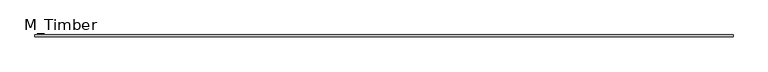
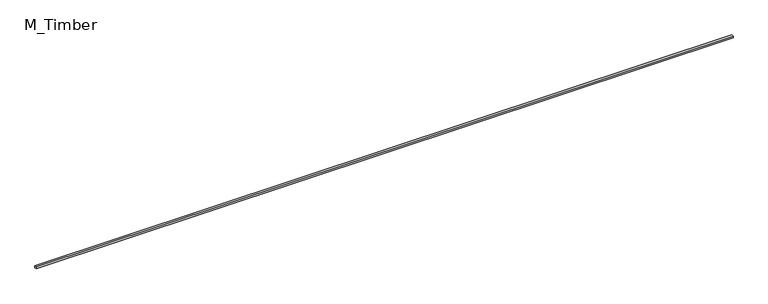
"""IFC4 building model written with IfcOpenShell, lengths in millimetres: beam geometry, M_Timber."""

from ifc_helpers import new_model, si_unit, frame, origin, place, context, project, spatial, polyline, outline, extrude, source, transform, mapped, element, save


def m_timber_42bbfcf7(model_context):
    return source(origin(), model_context, "Body", "SweptSolid", [
        extrude(outline(polyline([(7268.1815015, 20.0), (7268.1815015, -20.0), (-7268.1815015, -20.0), (-7268.1815015, 20.0), (7268.1815015, 20.0)])), frame((0.0, 0.0, -20.0), z_axis=(0.0, 0.0, 1.0), x_axis=(1.0, 0.0, 0.0)), (0.0, 0.0, 1.0), 40.0),
    ])


if __name__ == "__main__":
    model = new_model("IFC4")
    model_context = context("Model", 3, world=origin())
    ifc_project = project(units=[si_unit("LENGTHUNIT", "METRE", prefix="MILLI")], contexts=[model_context])
    site = spatial("IfcSite", under=ifc_project)
    building = spatial("IfcBuilding", under=site)
    placement = place(None, origin())
    m_timber_shape = m_timber_42bbfcf7(model_context)
    element("IfcBeam", 1, ObjectType="M_Timber", at=placement, inside=building, context=model_context, shape_type="MappedRepresentation", body=[
        mapped(m_timber_shape, transform((0.0, 0.0, 0.0), x_axis=(1.0, 0.0, 0.0), y_axis=(0.0, 1.0, 0.0), z_axis=(0.0, 0.0, 1.0))),
    ])
    save(model, "model.ifc")
